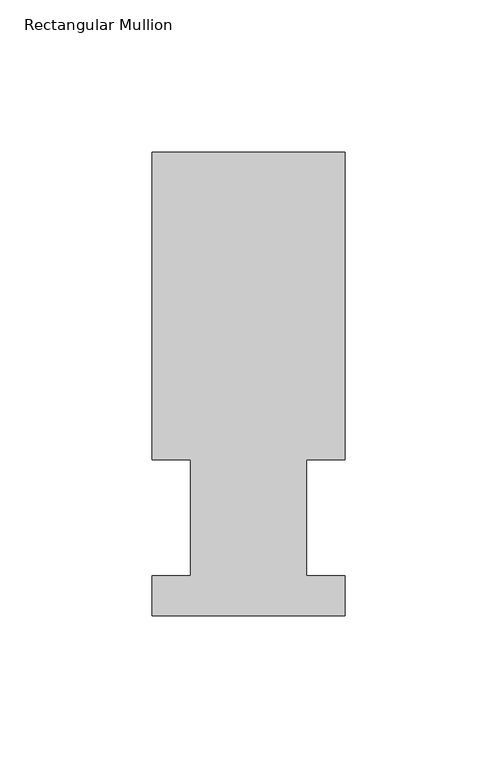
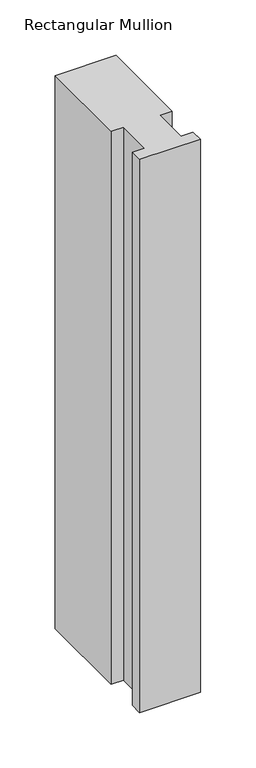
"""IFC4 building model written with IfcOpenShell, lengths in millimetres: member geometry, Rectangular Mullion."""

from ifc_helpers import new_model, si_unit, frame, origin, place, context, project, spatial, polyline, outline, extrude, source, transform, mapped, element, save


def rectangular_mullion_815fa31f(model_context):
    return source(origin(), model_context, "Body", "SweptSolid", [
        extrude(outline(polyline([(-63.5, 152.4896937), (0.0127, 152.4896937), (0.0127, 51.2960937), (-12.6873, 51.2960938), (-12.6873, 13.1960937), (0.0, 13.1960937), (0.0, 0.0134937), (-63.5, 0.0134937), (-63.5, 13.1960937), (-50.8000001, 13.1960937), (-50.8000001, 51.2960937), (-63.5, 51.2960937), (-63.5, 152.4896937)])), frame((0.0, 0.0, -609.6), z_axis=(0.0, 0.0, 1.0), x_axis=(1.0, 0.0, 0.0)), (0.0, 0.0, 1.0), 609.6),
    ])


if __name__ == "__main__":
    model = new_model("IFC4")
    model_context = context("Model", 3, world=origin())
    ifc_project = project(units=[si_unit("LENGTHUNIT", "METRE", prefix="MILLI")], contexts=[model_context])
    site = spatial("IfcSite", under=ifc_project)
    building = spatial("IfcBuilding", under=site)
    placement = place(None, origin())
    rectangular_mullion_shape = rectangular_mullion_815fa31f(model_context)
    element("IfcMember", 1, ObjectType="Rectangular Mullion", at=placement, inside=building, context=model_context, shape_type="MappedRepresentation", body=[
        mapped(rectangular_mullion_shape, transform((0.0, 0.0, 0.0), x_axis=(1.0, 0.0, 0.0), y_axis=(0.0, 1.0, 0.0), z_axis=(0.0, 0.0, 1.0))),
    ])
    save(model, "model.ifc")
